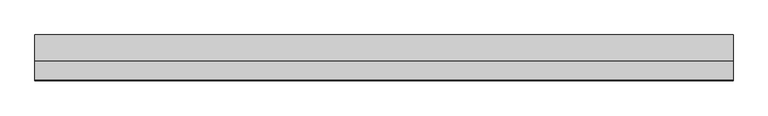
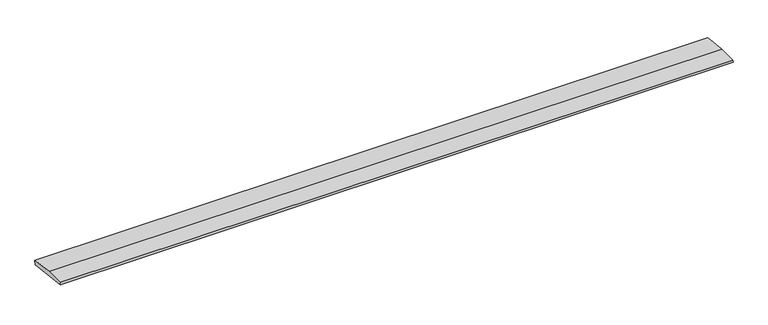
"""IFC4 building model written with IfcOpenShell, lengths in millimetres: beam geometry."""

from ifc_helpers import new_model, si_unit, frame, origin, place, context, project, spatial, polyline, outline, extrude, source, transform, mapped, element, save


def beam_4b6b203c(model_context):
    return source(origin(), model_context, "Body", "SweptSolid", [
        extrude(outline(polyline([(0.0, -9.143159), (1.1226388, 0.0), (79.0749747, 0.0), (180.9387048, -12.5072934), (178.6231873, -31.3656703), (0.0, -9.143159)])), frame((-1377.5939585, 0.0, 0.0), z_axis=(1.0, 0.0, 0.0), x_axis=(0.0, 1.0, 0.0)), (0.0, 0.0, 1.0), 2755.1879169),
    ])


if __name__ == "__main__":
    model = new_model("IFC4")
    model_context = context("Model", 3, world=origin())
    ifc_project = project(units=[si_unit("LENGTHUNIT", "METRE", prefix="MILLI")], contexts=[model_context])
    site = spatial("IfcSite", under=ifc_project)
    building = spatial("IfcBuilding", under=site)
    placement = place(None, origin())
    beam_shape = beam_4b6b203c(model_context)
    element("IfcBeam", 1, at=placement, inside=building, context=model_context, shape_type="MappedRepresentation", body=[
        mapped(beam_shape, transform((0.0, 0.0, 0.0), x_axis=(1.0, 0.0, 0.0), y_axis=(0.0, 1.0, 0.0), z_axis=(0.0, 0.0, 1.0))),
    ])
    save(model, "model.ifc")
